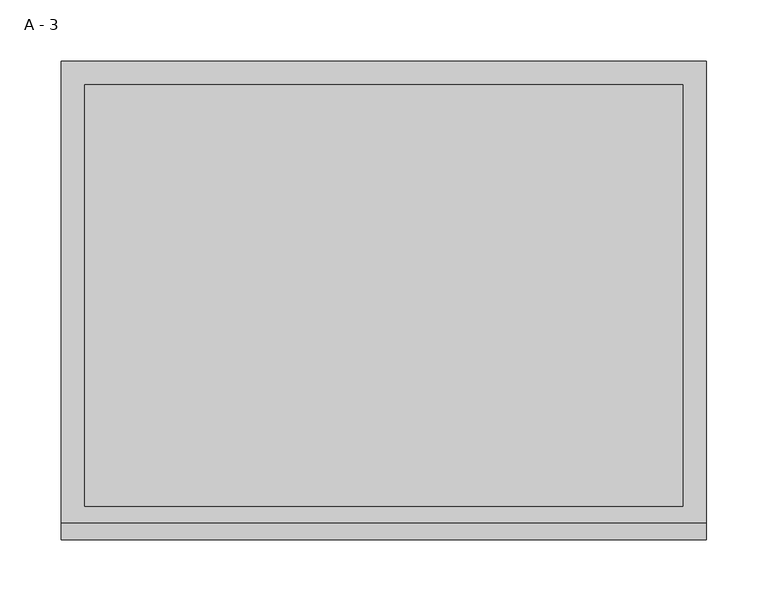
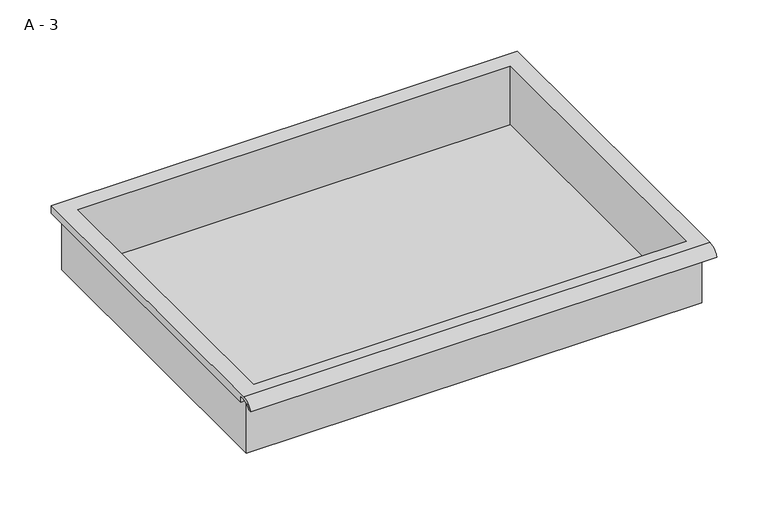
"""IFC4 building model written with IfcOpenShell, lengths in millimetres: furniture geometry, A - 3."""

from ifc_helpers import new_model, si_unit, frame, origin, place, context, project, spatial, polyline, circle_curve, source, transform, mapped, element, save
from ifc_brep_helpers import plane_surface, cylinder_surface, revolved_surface, advanced_brep


def a_3_26635c27(model_context):
    return source(origin(), model_context, "Body", "AdvancedBrep", [
        advanced_brep(
        [(-257.1076517, -176.2125, 513.54482), (257.2423483, -176.2125, 513.54482), (257.2423483, -176.2125, 577.04482), (263.5923483, -176.2125, 577.04482), (263.5923483, -176.2125, 583.3519541), (-263.4576517, -176.2125, 583.3519541), (-263.4576517, -176.2125, 577.04482), (-257.1076517, -176.2125, 577.04482), (257.2423483, 185.7375, 513.54482), (-257.1076517, 185.7375, 513.54482), (-257.1076517, 185.7375, 577.04482), (257.2423483, 185.7375, 577.04482), (263.5923483, -181.6070544, 586.56982), (263.5923483, 195.2625, 586.56982), (-263.4576517, 195.2625, 586.56982), (-263.4576517, -181.6070544, 586.56982), (244.5423483, -168.275, 586.56982), (-244.4076517, -168.275, 586.56982), (-244.4076517, 176.2125, 586.56982), (244.5423483, 176.2125, 586.56982), (263.5923483, -195.2625, 577.04482), (263.5923483, -191.8280601, 577.04482), (263.5923483, -180.4714815, 583.3519541), (263.5923483, 195.2625, 577.04482), (-263.4576517, 195.2625, 577.04482), (-263.4576517, -180.4714815, 583.3519541), (-263.4576517, -191.8280601, 577.04482), (-263.4576517, -195.2625, 577.04482), (-244.4076517, -168.275, 516.5709919), (244.5423483, -168.275, 516.5709919), (244.5423483, 176.2125, 516.5709919), (-244.4076517, 176.2125, 516.5709919)],
        [
            (0, 1),
            (1, 2),
            (2, 3),
            (3, 4),
            (4, 5),
            (5, 6),
            (6, 7),
            (7, 0),
            (8, 9),
            (9, 10),
            (10, 11),
            (11, 8),
            (0, 9),
            (8, 1),
            (11, 2),
            (12, 13),
            (13, 14),
            (14, 15),
            (15, 12),
            (16, 17),
            (17, 18),
            (18, 19),
            (19, 16),
            (7, 10),
            (12, 20, circle_curve(frame((263.5923483, -181.6070544, 572.0188059), z_axis=(1.0, 0.0, 0.0), x_axis=(0.0, 1.0, 0.0)), 14.5510141)),
            (20, 21),
            (21, 22, circle_curve(frame((263.5923483, -181.6070544, 572.0188059), z_axis=(-1.0, 0.0, 0.0), x_axis=(0.0, 1.0, 0.0)), 11.3898979)),
            (22, 4),
            (3, 23),
            (23, 13),
            (14, 24),
            (24, 6),
            (5, 25),
            (25, 26, circle_curve(frame((-263.4576517, -181.6070544, 572.0188059), z_axis=(1.0, 0.0, 0.0), x_axis=(0.0, 1.0, 0.0)), 11.3898979)),
            (26, 27),
            (27, 15, circle_curve(frame((-263.4576517, -181.6070544, 572.0188059), z_axis=(-1.0, 0.0, 0.0), x_axis=(0.0, 1.0, 0.0)), 14.5510141)),
            (27, 20),
            (26, 21),
            (25, 22),
            (24, 23),
            (28, 29),
            (29, 30),
            (30, 31),
            (31, 28),
            (28, 17),
            (16, 29),
            (19, 30),
            (18, 31),
        ],
        [
            plane_surface(frame((257.2423483, -176.2125, 513.54482), z_axis=(0.0, -1.0, 0.0), x_axis=(1.0, 0.0, 0.0))),
            plane_surface(frame((257.2423483, 185.7375, 513.54482), z_axis=(0.0, 1.0, 0.0), x_axis=(-1.0, 0.0, 0.0))),
            plane_surface(frame((-257.1076517, -176.2125, 513.54482), z_axis=(0.0, 0.0, -1.0), x_axis=(0.0, 1.0, 0.0))),
            plane_surface(frame((257.2423483, -176.2125, 513.54482), z_axis=(1.0, 0.0, 0.0), x_axis=(0.0, 1.0, 0.0))),
            plane_surface(frame((257.2423483, -176.2125, 586.56982), z_axis=(0.0, 0.0, 1.0), x_axis=(0.0, 1.0, 0.0))),
            plane_surface(frame((-257.1076517, -176.2125, 586.56982), z_axis=(-1.0, 0.0, 0.0), x_axis=(0.0, 1.0, 0.0))),
            plane_surface(frame((263.5923483, 195.2625, 586.56982), z_axis=(1.0, 0.0, 0.0), x_axis=(0.0, -1.0, 0.0))),
            plane_surface(frame((-263.4576517, 195.2625, 586.56982), z_axis=(-1.0, 0.0, 0.0), x_axis=(0.0, 1.0, 0.0))),
            cylinder_surface(frame((-263.4576517, -181.6070544, 572.0188059), z_axis=(1.0, 0.0, 0.0), x_axis=(0.0, 1.0, 0.0)), 14.5510141),
            plane_surface(frame((263.5923483, -195.2625, 577.04482), z_axis=(0.0, -7.291233251776856e-12, -1.0), x_axis=(-1.0, 0.0, 0.0))),
            revolved_surface(polyline([(-263.4576517, -170.21715650000002, 572.0188059), (263.59234829999997, -170.21715650000002, 572.0188059)]), (-263.4576517, -181.6070544, 572.0188059), (-1.0, 0.0, 0.0)),
            plane_surface(frame((263.5923483, -180.4714815, 583.3519541), z_axis=(0.0, -1.8020319608165788e-11, -1.0), x_axis=(-1.0, 0.0, 0.0))),
            plane_surface(frame((263.5923483, -176.2125, 577.04482), z_axis=(0.0, 0.0, -1.0), x_axis=(-1.0, 0.0, 0.0))),
            plane_surface(frame((263.5923483, 195.2625, 577.04482), z_axis=(0.0, 1.0, 0.0), x_axis=(-1.0, 0.0, 0.0))),
            plane_surface(frame((244.5423483, -168.275, 516.5709919), z_axis=(0.0, 0.0, 1.0), x_axis=(-1.0, 0.0, 0.0))),
            plane_surface(frame((-244.4076517, -168.275, 586.56982), z_axis=(0.0, 1.0, 0.0), x_axis=(0.0, 0.0, -1.0))),
            plane_surface(frame((244.5423483, -168.275, 586.56982), z_axis=(-1.0, 0.0, 0.0), x_axis=(0.0, 0.0, -1.0))),
            plane_surface(frame((244.5423483, 176.2125, 586.56982), z_axis=(0.0, -1.0, 0.0), x_axis=(0.0, 0.0, -1.0))),
            plane_surface(frame((-244.4076517, 176.2125, 586.56982), z_axis=(1.0, 0.0, 0.0), x_axis=(0.0, 0.0, -1.0))),
        ],
        [
            (0, [[1, 2, 3, 4, 5, 6, 7, 8]]),
            (1, [[9, 10, 11, 12]]),
            (2, [[-1, 13, -9, 14]]),
            (3, [[-14, -12, 15, -2]]),
            (4, [[16, 17, 18, 19], [20, 21, 22, 23]]),
            (5, [[-13, -8, 24, -10]]),
            (6, [[-16, 25, 26, 27, 28, -4, 29, 30]]),
            (7, [[31, 32, -6, 33, 34, 35, 36, -18]]),
            (8, [[-25, -19, -36, 37]]),
            (9, [[-26, -37, -35, 38]]),
            (10, [[-27, -38, -34, 39]]),
            (11, [[-28, -39, -33, -5]]),
            (12, [[-29, -3, -15, -11, -24, -7, -32, 40]]),
            (13, [[-30, -40, -31, -17]]),
            (14, [[41, 42, 43, 44]]),
            (15, [[-41, 45, -20, 46]]),
            (16, [[-42, -46, -23, 47]]),
            (17, [[-43, -47, -22, 48]]),
            (18, [[-44, -48, -21, -45]]),
        ],
    ),
    ])


if __name__ == "__main__":
    model = new_model("IFC4")
    model_context = context("Model", 3, world=origin())
    ifc_project = project(units=[si_unit("LENGTHUNIT", "METRE", prefix="MILLI")], contexts=[model_context])
    site = spatial("IfcSite", under=ifc_project)
    building = spatial("IfcBuilding", under=site)
    placement = place(None, origin())
    a_3_shape = a_3_26635c27(model_context)
    element("IfcFurniture", 1, ObjectType="A - 3", at=placement, inside=building, context=model_context, shape_type="MappedRepresentation", body=[
        mapped(a_3_shape, transform((0.0, 0.0, 0.0), x_axis=(1.0, 0.0, 0.0), y_axis=(0.0, 1.0, 0.0), z_axis=(0.0, 0.0, 1.0))),
    ])
    save(model, "model.ifc")
